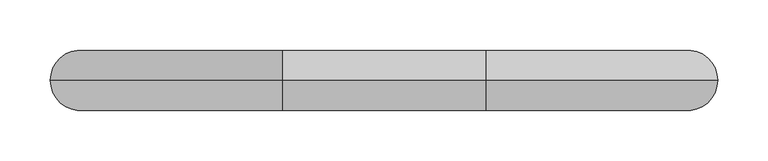
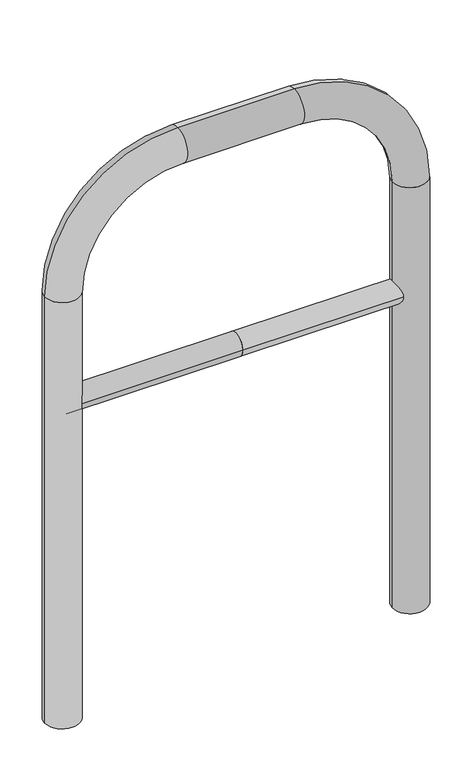
"""IFC4 building model written with IfcOpenShell, lengths in millimetres: proxy geometry."""

from ifc_helpers import new_model, si_unit, point, frame, frame_2d, origin, place, context, project, spatial, circle_curve, ellipse_curve, trimmed, segment, composite_curve, outline, extrude, source, transform, mapped, element, save
from ifc_brep_helpers import plane_surface, cylinder_surface, revolved_surface, advanced_brep


def generic_models_8bd0d37a(model_context):
    return source(origin(), model_context, "Body", "SolidModel", [
        extrude(outline(composite_curve([segment(trimmed(circle_curve(frame_2d((0.0, 498.4778375)), 20.0), [point((-20.0, 498.4778375))], [point((20.0, 498.4778375))], False, "CARTESIAN"), True, "CONTINUOUS"), segment(trimmed(circle_curve(frame_2d((0.0, 498.4778375)), 20.0), [point((20.0, 498.4778375))], [point((-20.0, 498.4778375))], False, "CARTESIAN"), True, "CONTINUOUS")], self_intersect=False)), frame((-301.1704458, 0.0, 0.0), z_axis=(1.0, 0.0, 0.0), x_axis=(0.0, 1.0, 0.0)), (0.0, 0.0, 1.0), 301.1704458),
        extrude(outline(composite_curve([segment(trimmed(circle_curve(frame_2d((0.0, 498.4778375)), 20.0), [point((-20.0, 498.4778375))], [point((20.0, 498.4778375))], False, "CARTESIAN"), True, "CONTINUOUS"), segment(trimmed(circle_curve(frame_2d((0.0, 498.4778375)), 20.0), [point((20.0, 498.4778375))], [point((-20.0, 498.4778375))], False, "CARTESIAN"), True, "CONTINUOUS")], self_intersect=False)), frame((0.0, 0.0, 0.0), z_axis=(1.0, 0.0, 0.0), x_axis=(0.0, 1.0, 0.0)), (0.0, 0.0, 1.0), 301.1704458),
        advanced_brep(
        [(-271.1704458, 0.0, -80.0), (-331.1704458, 0.0, -80.0), (-271.1704458, 0.0, 700.0), (-331.1704458, 0.0, 700.0), (-101.1704458, 0.0, 930.0), (-101.1704458, 0.0, 870.0), (101.1704458, 0.0, 870.0), (101.1704458, 0.0, 930.0), (331.1704458, 0.0, 700.0), (271.1704458, 0.0, 700.0), (271.1704458, 0.0, -80.0), (331.1704458, 0.0, -80.0)],
        [
            (0, 1, circle_curve(frame((-301.1704458, 0.0, -80.0), z_axis=(0.0, 0.0, -1.0), x_axis=(-1.0, 0.0, 0.0)), 30.0)),
            (1, 0, circle_curve(frame((-301.1704458, 0.0, -80.0), z_axis=(0.0, 0.0, -1.0), x_axis=(-1.0, 0.0, 0.0)), 30.0)),
            (0, 2),
            (2, 3, circle_curve(frame((-301.1704458, 0.0, 700.0), z_axis=(0.0, 0.0, -1.0), x_axis=(-1.0, 0.0, 0.0)), 30.0)),
            (3, 1),
            (3, 2, circle_curve(frame((-301.1704458, 0.0, 700.0), z_axis=(0.0, 0.0, -1.0), x_axis=(-1.0, 0.0, 0.0)), 30.0)),
            (4, 3, circle_curve(frame((-101.1704458, 0.0, 700.0), z_axis=(0.0, -1.0, 0.0), x_axis=(-1.0, 0.0, 0.0)), 230.0)),
            (2, 5, circle_curve(frame((-101.1704458, 0.0, 700.0), z_axis=(0.0, 1.0, 0.0), x_axis=(-1.0, 0.0, 0.0)), 170.0)),
            (5, 4, circle_curve(frame((-101.1704458, 0.0, 900.0), z_axis=(-1.0, 0.0, 0.0), x_axis=(0.0, 0.0, 1.0)), 30.0)),
            (4, 5, circle_curve(frame((-101.1704458, 0.0, 900.0), z_axis=(-1.0, 0.0, 0.0), x_axis=(0.0, 0.0, 1.0)), 30.0)),
            (5, 6),
            (6, 7, circle_curve(frame((101.1704458, 0.0, 900.0), z_axis=(-1.0, 0.0, 0.0), x_axis=(0.0, 0.0, 1.0)), 30.0)),
            (7, 4),
            (7, 6, circle_curve(frame((101.1704458, 0.0, 900.0), z_axis=(-1.0, 0.0, 0.0), x_axis=(0.0, 0.0, 1.0)), 30.0)),
            (8, 7, circle_curve(frame((101.1704458, 0.0, 700.0), z_axis=(0.0, -1.0, 0.0), x_axis=(0.0, 0.0, 1.0)), 230.0)),
            (6, 9, circle_curve(frame((101.1704458, 0.0, 700.0), z_axis=(0.0, 1.0, 0.0), x_axis=(0.0, 0.0, 1.0)), 170.0)),
            (9, 8, circle_curve(frame((301.1704458, 0.0, 700.0), z_axis=(0.0, 0.0, 1.0), x_axis=(1.0, 0.0, 0.0)), 30.0)),
            (8, 9, circle_curve(frame((301.1704458, 0.0, 700.0), z_axis=(0.0, 0.0, 1.0), x_axis=(1.0, 0.0, 0.0)), 30.0)),
            (10, 11, circle_curve(frame((301.1704458, 0.0, -80.0), z_axis=(0.0, 0.0, -1.0), x_axis=(1.0, 0.0, 0.0)), 30.0)),
            (11, 10, circle_curve(frame((301.1704458, 0.0, -80.0), z_axis=(0.0, 0.0, -1.0), x_axis=(1.0, 0.0, 0.0)), 30.0)),
            (9, 10),
            (11, 8),
        ],
        [
            plane_surface(frame((-301.1704458, 0.0, -80.0), z_axis=(0.0, 0.0, -1.0), x_axis=(0.0, -1.0, 0.0))),
            cylinder_surface(frame((-301.1704458, 0.0, -80.0), z_axis=(0.0, 0.0, -1.0), x_axis=(-1.0, 0.0, 0.0)), 30.0),
            revolved_surface(trimmed(ellipse_curve(frame((-301.1704458, 0.0, 700.0), z_axis=(0.0, 0.0, -1.0), x_axis=(-1.0, 0.0, 0.0)), 30.0, 30.0), [point((-271.1704458, 0.0, 700.0))], [point((-331.1704458, 0.0, 700.0))], True, "CARTESIAN"), (-101.1704458, 0.0, 700.0), (0.0, 1.0, 0.0)),
            revolved_surface(trimmed(ellipse_curve(frame((-301.1704458, 0.0, 700.0), z_axis=(0.0, 0.0, -1.0), x_axis=(-1.0, 0.0, 0.0)), 30.0, 30.0), [point((-331.1704458, 0.0, 700.0))], [point((-271.1704458, 0.0, 700.0))], True, "CARTESIAN"), (-101.1704458, 0.0, 700.0), (0.0, 1.0, 0.0)),
            cylinder_surface(frame((-101.1704458, 0.0, 900.0), z_axis=(-1.0, 0.0, 0.0), x_axis=(0.0, 0.0, 1.0)), 30.0),
            revolved_surface(trimmed(ellipse_curve(frame((101.1704458, 0.0, 900.0), z_axis=(-1.0, 0.0, 0.0), x_axis=(0.0, 0.0, 1.0)), 30.0, 30.0), [point((101.1704458, 0.0, 870.0))], [point((101.1704458, 0.0, 930.0))], True, "CARTESIAN"), (101.1704458, 0.0, 700.0), (0.0, 1.0, 0.0)),
            revolved_surface(trimmed(ellipse_curve(frame((101.1704458, 0.0, 900.0), z_axis=(-1.0, 0.0, 0.0), x_axis=(0.0, 0.0, 1.0)), 30.0, 30.0), [point((101.1704458, 0.0, 930.0))], [point((101.1704458, 0.0, 870.0))], True, "CARTESIAN"), (101.1704458, 0.0, 700.0), (0.0, 1.0, 0.0)),
            plane_surface(frame((301.1704458, 0.0, -80.0), z_axis=(0.0, 0.0, -1.0), x_axis=(0.0, -1.0, 0.0))),
            cylinder_surface(frame((301.1704458, 0.0, 700.0), z_axis=(0.0, 0.0, 1.0), x_axis=(1.0, 0.0, 0.0)), 30.0),
        ],
        [
            (0, [[1, 2]]),
            (1, [[-1, 3, 4, 5]]),
            (1, [[-2, -5, 6, -3]]),
            (2, [[7, -4, 8, 9]]),
            (3, [[-8, -6, -7, 10]]),
            (4, [[-9, 11, 12, 13]]),
            (4, [[-10, -13, 14, -11]]),
            (5, [[15, -12, 16, 17]]),
            (6, [[-16, -14, -15, 18]]),
            (7, [[19, 20]]),
            (8, [[-17, 21, -20, 22]]),
            (8, [[-18, -22, -19, -21]]),
        ],
    ),
    ])


if __name__ == "__main__":
    model = new_model("IFC4")
    model_context = context("Model", 3, world=origin())
    ifc_project = project(units=[si_unit("LENGTHUNIT", "METRE", prefix="MILLI")], contexts=[model_context])
    site = spatial("IfcSite", under=ifc_project)
    building = spatial("IfcBuilding", under=site)
    placement = place(None, origin())
    generic_models_shape = generic_models_8bd0d37a(model_context)
    element("IfcBuildingElementProxy", 1, Name="Generic Models", at=placement, inside=building, context=model_context, shape_type="MappedRepresentation", body=[
        mapped(generic_models_shape, transform((0.0, 0.0, 0.0), x_axis=(1.0, 0.0, 0.0), y_axis=(0.0, 1.0, 0.0), z_axis=(0.0, 0.0, 1.0))),
    ])
    save(model, "model.ifc")
